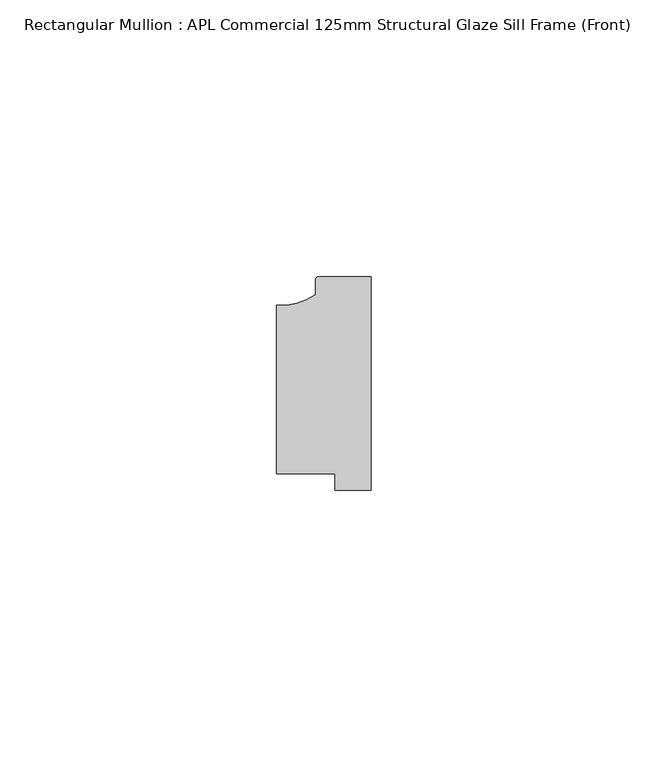
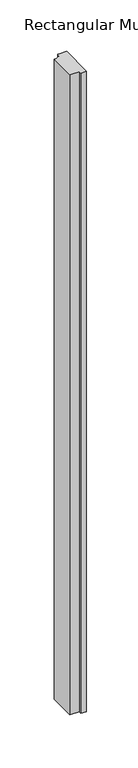
"""IFC4 building model written with IfcOpenShell, lengths in millimetres: member geometry, Rectangular Mullion : APL Commercial 125mm Structural Glaze Sill Frame (Front)."""

from ifc_helpers import new_model, si_unit, point, frame, frame_2d, origin, place, context, project, spatial, polyline, circle_curve, trimmed, segment, composite_curve, outline, extrude, source, transform, mapped, element, save


def rectangular_mullion_apl_commercial_125mm_structural_glaze_826835c0(model_context):
    return source(origin(), model_context, "Body", "SweptSolid", [
        extrude(outline(composite_curve([segment(trimmed(circle_curve(frame_2d((-16.1098048, 25.7977481)), 10.4563907), [point((-16.999942, 15.3793144))], [point((-10.0, 17.3120901))], True, "CARTESIAN"), True, "CONTINUOUS"), segment(polyline([(-10.0, 17.3120901), (-10.0, 19.9980675)]), True, "CONTINUOUS"), segment(trimmed(circle_curve(frame_2d((-9.5000029, 19.99978)), 0.5), [point((-10.0, 19.9980675))], [point((-9.5000029, 20.49978))], False, "CARTESIAN"), True, "CONTINUOUS"), segment(polyline([(-9.5000029, 20.49978), (0.0, 20.49978), (0.0, -18.0281616), (-6.5000029, -18.0281616), (-6.5000029, -15.0004332), (-16.999942, -15.0004332), (-16.999942, 15.3793144)]), True, "CONTINUOUS")], self_intersect=False)), frame((0.0, 0.0, -759.4851421), z_axis=(0.0, 0.0, 1.0), x_axis=(1.0, 0.0, 0.0)), (0.0, 0.0, 1.0), 759.4851421),
    ])


if __name__ == "__main__":
    model = new_model("IFC4")
    model_context = context("Model", 3, world=origin())
    ifc_project = project(units=[si_unit("LENGTHUNIT", "METRE", prefix="MILLI")], contexts=[model_context])
    site = spatial("IfcSite", under=ifc_project)
    building = spatial("IfcBuilding", under=site)
    placement = place(None, origin())
    rectangular_mullion_apl_commercial_125mm_structural_glaze_shape = rectangular_mullion_apl_commercial_125mm_structural_glaze_826835c0(model_context)
    element("IfcMember", 1, ObjectType="Rectangular Mullion : APL Commercial 125mm Structural Glaze Sill Frame (Front)", at=placement, inside=building, context=model_context, shape_type="MappedRepresentation", body=[
        mapped(rectangular_mullion_apl_commercial_125mm_structural_glaze_shape, transform((0.0, 0.0, 0.0), x_axis=(1.0, 0.0, 0.0), y_axis=(0.0, 1.0, 0.0), z_axis=(0.0, 0.0, 1.0))),
    ])
    save(model, "model.ifc")
